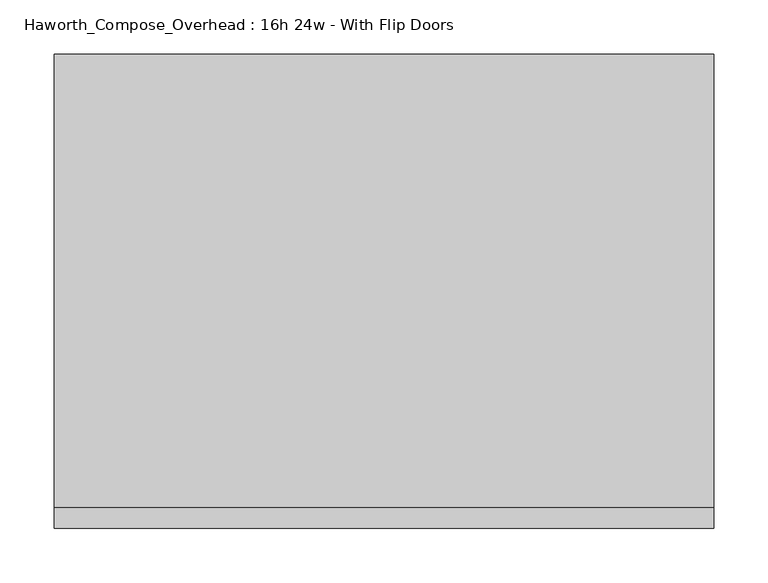
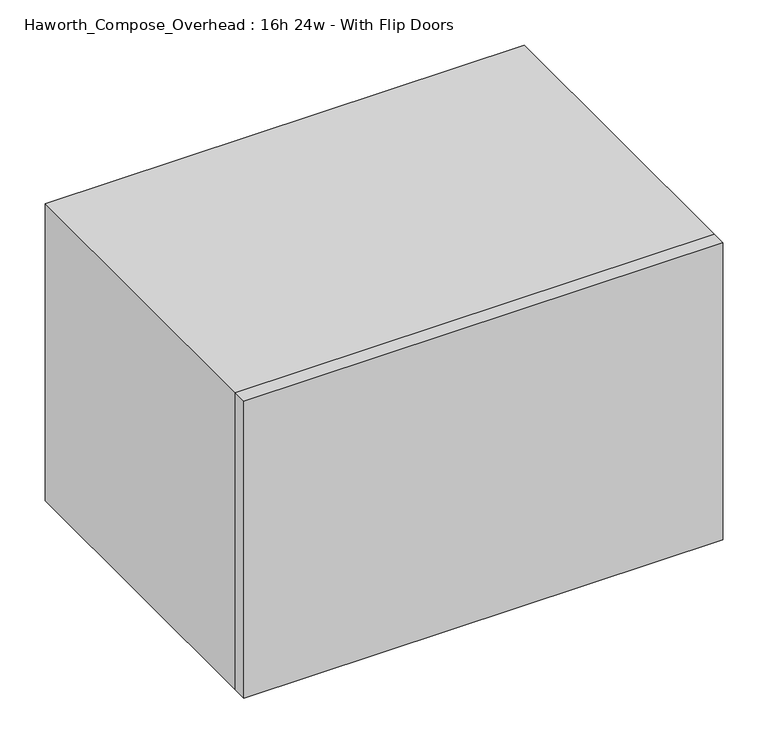
"""IFC4 building model written with IfcOpenShell, lengths in millimetres: furniture geometry, Haworth_Compose_Overhead : 16h 24w - With Flip Doors."""

import ifcopenshell
import ifcopenshell.guid

model = None  # the IFC model being written
_history = None  # IfcOwnerHistory: only IFC2X3 demands one
_inside = {}  # id of a spatial element -> (the spatial element, [elements in it])
_under = {}  # id of a project, library or spatial element -> (it, [spatial elements below it])
_declared = {}  # id of a project -> (the project, [libraries it declares])
_typed = {}  # id of a type object -> (the type object, [elements of that type])
_made_of = {}  # id of a material, layer set ... -> (it, [elements and type objects made of it])


def new_model(schema):
    """Start an empty IFC model of exactly this schema.

    Asked for "IFC4X3", IfcOpenShell would pick the latest addendum, in which some entities
    have other attributes; the version numbers below select the first issue.
    IFC2X3 requires an IfcOwnerHistory on every rooted entity: one is made here for all.
    """
    global model, _history
    if schema == "IFC4X3":
        model = ifcopenshell.file(schema_version=(4, 3, 0, 0))
    else:
        model = ifcopenshell.file(schema=schema)
    _inside.clear()
    _under.clear()
    _declared.clear()
    _typed.clear()
    _made_of.clear()
    _history = None
    if model.schema == "IFC2X3":
        org = make("IfcOrganization", Name="unknown")
        user = make(
            "IfcPersonAndOrganization",
            ThePerson=make("IfcPerson", FamilyName="unknown"),
            TheOrganization=org,
        )
        app = make(
            "IfcApplication",
            ApplicationDeveloper=org,
            Version="unknown",
            ApplicationFullName="unknown",
            ApplicationIdentifier="unknown",
        )
        _history = make(
            "IfcOwnerHistory",
            OwningUser=user,
            OwningApplication=app,
            ChangeAction="ADDED",
            CreationDate=0,
        )
    return model


def make(cls, **values):
    """One entity of the class cls with the attributes given. An attribute that is None is left unset."""
    return model.create_entity(
        cls, **{name: value for name, value in values.items() if value is not None}
    )


def rooted(cls, **values):
    """An entity with a GlobalId (a new one), such as an element, a storey or a relation."""
    return make(cls, GlobalId=ifcopenshell.guid.new(), OwnerHistory=_history, **values)


def si_unit(unit_type, name, prefix=None):
    """IfcSIUnit, for example si_unit("LENGTHUNIT", "METRE", prefix="MILLI")."""
    return make("IfcSIUnit", UnitType=unit_type, Prefix=prefix, Name=name)


def assignment(units):
    """IfcUnitAssignment: the units of a project."""
    return None if units is None else make("IfcUnitAssignment", Units=units)


def point(xyz):
    """IfcCartesianPoint."""
    return None if xyz is None else make("IfcCartesianPoint", Coordinates=xyz)


def direction(xyz):
    """IfcDirection."""
    return None if xyz is None else make("IfcDirection", DirectionRatios=xyz)


def frame(location, z_axis=None, x_axis=None):
    """IfcAxis2Placement3D, a coordinate frame: its origin and axes. An axis left out is left unset."""
    return make(
        "IfcAxis2Placement3D",
        Location=point(location),
        Axis=direction(z_axis),
        RefDirection=direction(x_axis),
    )


def origin():
    """The frame at (0, 0, 0) with its axes left unset."""
    return frame((0.0, 0.0, 0.0))


def place(relative_to, where):
    """IfcLocalPlacement: puts the frame where relative to a parent placement (None: the world)."""
    return make(
        "IfcLocalPlacement", PlacementRelTo=relative_to, RelativePlacement=where
    )


def context(
    kind, dimensions, precision=None, world=None, true_north=None, identifier=None
):
    """IfcGeometricRepresentationContext, for example the 3D "Model" context."""
    return make(
        "IfcGeometricRepresentationContext",
        ContextIdentifier=identifier,
        ContextType=kind,
        CoordinateSpaceDimension=dimensions,
        Precision=precision,
        WorldCoordinateSystem=world,
        TrueNorth=true_north,
    )


def project(units=None, contexts=None):
    """IfcProject with its units and contexts."""
    return rooted(
        "IfcProject",
        Name="project",
        RepresentationContexts=contexts,
        UnitsInContext=assignment(units),
    )


def spatial(cls, under=None, at=None, **own):
    """A site, building, storey or space (cls), placed at a placement, below another one or the project."""
    s = rooted(cls, ObjectPlacement=at, **own)
    if under is not None:
        _under.setdefault(under.id(), (under, []))[1].append(s)
    return s


def polyline(points):
    """IfcPolyline through the points."""
    return make("IfcPolyline", Points=[point(p) for p in points])


def outline(outer, holes=None, kind="AREA"):
    """IfcArbitraryClosedProfileDef: a profile drawn as a closed curve; with holes, ...WithVoids."""
    if holes is None:
        return make("IfcArbitraryClosedProfileDef", ProfileType=kind, OuterCurve=outer)
    return make(
        "IfcArbitraryProfileDefWithVoids",
        ProfileType=kind,
        OuterCurve=outer,
        InnerCurves=holes,
    )


def extrude(swept, where, along, depth):
    """IfcExtrudedAreaSolid: the profile swept, set in the frame where, extruded along a direction by depth."""
    return make(
        "IfcExtrudedAreaSolid",
        SweptArea=swept,
        Position=where,
        ExtrudedDirection=direction(along),
        Depth=depth,
    )


def shape(context_of_items, identifier, shape_type, items):
    """IfcShapeRepresentation: the items that make up one representation, for example the "Body"."""
    return make(
        "IfcShapeRepresentation",
        ContextOfItems=context_of_items,
        RepresentationIdentifier=identifier,
        RepresentationType=shape_type,
        Items=items,
    )


def source(mapping_origin, context_of_items, identifier, shape_type, items):
    """IfcRepresentationMap: a shape defined once, which mapped items show again and again."""
    return make(
        "IfcRepresentationMap",
        MappingOrigin=mapping_origin,
        MappedRepresentation=shape(context_of_items, identifier, shape_type, items),
    )


def transform(
    local_origin,
    x_axis=None,
    y_axis=None,
    z_axis=None,
    scale=None,
    scale2=None,
    scale3=None,
    uniform=True,
):
    """IfcCartesianTransformationOperator3D, or its non-uniform kind. x_axis, y_axis, z_axis: its Axis1, 2, 3."""
    if uniform:
        return make(
            "IfcCartesianTransformationOperator3D",
            Axis1=direction(x_axis),
            Axis2=direction(y_axis),
            LocalOrigin=point(local_origin),
            Scale=scale,
            Axis3=direction(z_axis),
        )
    return make(
        "IfcCartesianTransformationOperator3DnonUniform",
        Axis1=direction(x_axis),
        Axis2=direction(y_axis),
        LocalOrigin=point(local_origin),
        Scale=scale,
        Axis3=direction(z_axis),
        Scale2=scale2,
        Scale3=scale3,
    )


def mapped(mapping_source, mapping_target):
    """IfcMappedItem: shows the shape of a source again, moved by a transform."""
    return make(
        "IfcMappedItem", MappingSource=mapping_source, MappingTarget=mapping_target
    )


def made_of(thing, what):
    """Note that an element or type object is made of a material, layer set ...; save() writes the relation."""
    if what is not None:
        _made_of.setdefault(what.id(), (what, []))[1].append(thing)
    return thing


def element(
    cls,
    number,
    at=None,
    inside=None,
    cuts=None,
    type_object=None,
    material=None,
    context=None,
    identifier="Body",
    shape_type=None,
    held_by="IfcProductDefinitionShape",
    body=None,
    shapes=None,
    **own,
):
    """One element of the class cls, such as IfcWall. Its Tag is "e" and its number.

    at: its placement. inside: the storey or other place that contains it. cuts: it is an
    opening in that element (IfcRelVoidsElement). A single representation is given by context,
    identifier, shape_type and body (its items); several are given by shapes. held_by: the class
    of the entity that holds the representations. save() writes the other relations.
    """
    e = rooted(cls, Tag="e%d" % number, ObjectPlacement=at, **own)
    if body is not None:
        shapes = [shape(context, identifier, shape_type, body)]
    if shapes is not None:
        e.Representation = make(held_by, Representations=shapes)
    if inside is not None:
        _inside.setdefault(inside.id(), (inside, []))[1].append(e)
    if cuts is not None:
        rooted(
            "IfcRelVoidsElement", RelatingBuildingElement=cuts, RelatedOpeningElement=e
        )
    if type_object is not None:
        _typed.setdefault(type_object.id(), (type_object, []))[1].append(e)
    return made_of(e, material)


def aggregate(whole, parts):
    """IfcRelAggregates: a whole, such as a stair, and the parts it consists of."""
    return rooted("IfcRelAggregates", RelatingObject=whole, RelatedObjects=parts)


def save(model, path):
    """Write the relations noted so far, then the file.

    IfcRelAggregates (storeys below a building ...), IfcRelContainedInSpatialStructure (elements
    in a storey), IfcRelDefinesByType, IfcRelAssociatesMaterial and IfcRelDeclares: one each for
    every whole, place, type object, material and project.
    """
    for whole, parts in _under.values():
        aggregate(whole, parts)
    for where, things in _inside.values():
        rooted(
            "IfcRelContainedInSpatialStructure",
            RelatedElements=things,
            RelatingStructure=where,
        )
    for kind, things in _typed.values():
        rooted("IfcRelDefinesByType", RelatedObjects=things, RelatingType=kind)
    for what, things in _made_of.values():
        rooted("IfcRelAssociatesMaterial", RelatedObjects=things, RelatingMaterial=what)
    for by, libraries in _declared.values():
        rooted("IfcRelDeclares", RelatingContext=by, RelatedDefinitions=libraries)
    model.write(path)


def haworth_compose_overhead_16h_24w_with_flip_doors_38c96eed(model_context):
    return source(origin(), model_context, "Body", "SweptSolid", [
        extrude(outline(polyline([(469.9, -438.15), (-139.7, -438.15), (-139.7, -419.1), (469.9, -419.1), (469.9, -438.15)])), frame((0.0, 0.0, 1270.0), z_axis=(0.0, 0.0, 1.0), x_axis=(1.0, 0.0, 0.0)), (0.0, 0.0, 1.0), 400.05),
        extrude(outline(polyline([(444.5, -6.35), (-114.3, -6.35), (-114.3, 0.0), (444.5, 0.0), (444.5, -6.35)])), frame((0.0, 0.0, 1295.4), z_axis=(0.0, 0.0, 1.0), x_axis=(1.0, 0.0, 0.0)), (0.0, 0.0, 1.0), 349.25),
        extrude(outline(polyline([(1270.0, 469.9), (1670.05, 469.9), (1670.05, -139.7), (1270.0, -139.7), (1270.0, 469.9)]), holes=[polyline([(1644.65, 444.5), (1295.4, 444.5), (1295.4, -114.3), (1644.65, -114.3), (1644.65, 444.5)])]), frame((0.0, -419.1, 0.0), z_axis=(0.0, 1.0, 0.0), x_axis=(0.0, 0.0, 1.0)), (0.0, 0.0, 1.0), 419.1),
    ])


if __name__ == "__main__":
    model = new_model("IFC4")
    model_context = context("Model", 3, world=origin())
    ifc_project = project(units=[si_unit("LENGTHUNIT", "METRE", prefix="MILLI")], contexts=[model_context])
    site = spatial("IfcSite", under=ifc_project)
    building = spatial("IfcBuilding", under=site)
    placement = place(None, origin())
    haworth_compose_overhead_16h_24w_with_flip_doors_shape = haworth_compose_overhead_16h_24w_with_flip_doors_38c96eed(model_context)
    element("IfcFurniture", 1, ObjectType="Haworth_Compose_Overhead : 16h 24w - With Flip Doors", at=placement, inside=building, context=model_context, shape_type="MappedRepresentation", body=[
        mapped(haworth_compose_overhead_16h_24w_with_flip_doors_shape, transform((0.0, 0.0, 0.0), x_axis=(1.0, 0.0, 0.0), y_axis=(0.0, 1.0, 0.0), z_axis=(0.0, 0.0, 1.0))),
    ])
    save(model, "model.ifc")
